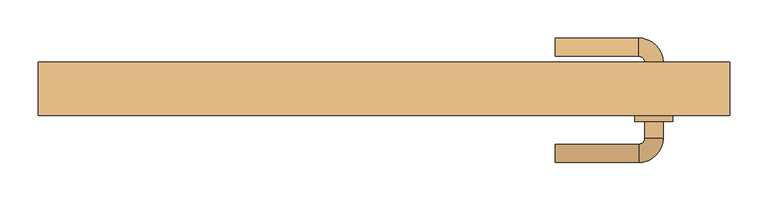
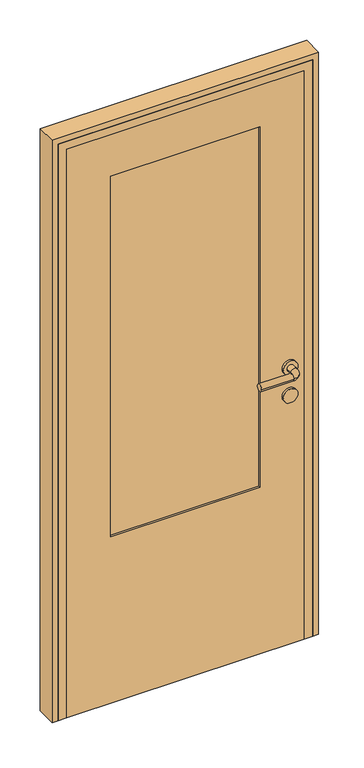
"""IFC4 building model written with IfcOpenShell, lengths in millimetres: door geometry."""

from ifc_helpers import new_model, si_unit, point, frame, frame_2d, origin, place, context, project, spatial, polyline, circle_curve, ellipse_curve, trimmed, segment, composite_curve, outline, extrude, faceted_brep, source, transform, mapped, element, save
from ifc_brep_helpers import plane_surface, cylinder_surface, revolved_surface, advanced_brep


def door_4ded02e0(model_context):
    return source(origin(), model_context, "Body", "SolidModel", [
        advanced_brep(
        [(225.0, -202.0, 1000.0), (225.0, -178.0, 1000.0), (335.0, -202.0, 1000.0), (335.0, -178.0, 1000.0), (367.0, -170.0, 1000.0), (343.0, -170.0, 1000.0), (367.0, -148.0, 1000.0), (343.0, -148.0, 1000.0), (367.0, -70.0, 1000.0), (343.0, -70.0, 1000.0), (343.0, -92.0, 1000.0), (367.0, -92.0, 1000.0), (335.0, -38.0, 1000.0), (335.0, -62.0, 1000.0), (225.0, -38.0, 1000.0), (225.0, -62.0, 1000.0), (330.0, -92.0, 1000.0), (380.0, -92.0, 1000.0), (330.0, -148.0, 1000.0), (380.0, -148.0, 1000.0)],
        [
            (0, 1, circle_curve(frame((225.0, -190.0, 1000.0), z_axis=(-1.0, 0.0, 0.0), x_axis=(0.0, 1.0, 0.0)), 12.0)),
            (1, 0, circle_curve(frame((225.0, -190.0, 1000.0), z_axis=(-1.0, 0.0, 0.0), x_axis=(0.0, 1.0, 0.0)), 12.0)),
            (0, 2),
            (2, 3, circle_curve(frame((335.0, -190.0, 1000.0), z_axis=(-1.0, 0.0, 0.0), x_axis=(0.0, 1.0, 0.0)), 12.0)),
            (3, 1),
            (3, 2, circle_curve(frame((335.0, -190.0, 1000.0), z_axis=(-1.0, 0.0, 0.0), x_axis=(0.0, 1.0, 0.0)), 12.0)),
            (2, 4, circle_curve(frame((335.0, -170.0, 1000.0), z_axis=(0.0, 0.0, 1.0), x_axis=(0.0, -1.0, 0.0)), 32.0)),
            (4, 5, circle_curve(frame((355.0, -170.0, 1000.0), z_axis=(0.0, -1.0, 0.0), x_axis=(-1.0, 0.0, 0.0)), 12.0)),
            (5, 3, circle_curve(frame((335.0, -170.0, 1000.0), z_axis=(0.0, 0.0, -1.0), x_axis=(0.0, -1.0, 0.0)), 8.0)),
            (5, 4, circle_curve(frame((355.0, -170.0, 1000.0), z_axis=(0.0, -1.0, 0.0), x_axis=(-1.0, 0.0, 0.0)), 12.0)),
            (4, 6),
            (6, 7, circle_curve(frame((355.0, -148.0, 1000.0), z_axis=(0.0, -1.0, 0.0), x_axis=(-1.0, 0.0, 0.0)), 12.0)),
            (7, 5),
            (8, 9, circle_curve(frame((355.0, -70.0, 1000.0), z_axis=(0.0, -1.0, 0.0), x_axis=(-1.0, 0.0, 0.0)), 12.0)),
            (9, 10),
            (10, 11, circle_curve(frame((355.0, -92.0, 1000.0), z_axis=(0.0, 1.0, 0.0), x_axis=(-1.0, 0.0, 0.0)), 12.0)),
            (11, 8),
            (7, 6, circle_curve(frame((355.0, -148.0, 1000.0), z_axis=(0.0, -1.0, 0.0), x_axis=(-1.0, 0.0, 0.0)), 12.0)),
            (9, 8, circle_curve(frame((355.0, -70.0, 1000.0), z_axis=(0.0, -1.0, 0.0), x_axis=(-1.0, 0.0, 0.0)), 12.0)),
            (11, 10, circle_curve(frame((355.0, -92.0, 1000.0), z_axis=(0.0, 1.0, 0.0), x_axis=(-1.0, 0.0, 0.0)), 12.0)),
            (8, 12, circle_curve(frame((335.0, -70.0, 1000.0), z_axis=(0.0, 0.0, 1.0), x_axis=(1.0, 0.0, 0.0)), 32.0)),
            (12, 13, circle_curve(frame((335.0, -50.0, 1000.0), z_axis=(1.0, 0.0, 0.0), x_axis=(0.0, -1.0, 0.0)), 12.0)),
            (13, 9, circle_curve(frame((335.0, -70.0, 1000.0), z_axis=(0.0, 0.0, -1.0), x_axis=(1.0, 0.0, 0.0)), 8.0)),
            (13, 12, circle_curve(frame((335.0, -50.0, 1000.0), z_axis=(1.0, 0.0, 0.0), x_axis=(0.0, -1.0, 0.0)), 12.0)),
            (14, 15, circle_curve(frame((225.0, -50.0, 1000.0), z_axis=(-1.0, 0.0, 0.0), x_axis=(0.0, -1.0, 0.0)), 12.0)),
            (15, 14, circle_curve(frame((225.0, -50.0, 1000.0), z_axis=(-1.0, 0.0, 0.0), x_axis=(0.0, -1.0, 0.0)), 12.0)),
            (12, 14),
            (15, 13),
            (16, 17, circle_curve(frame((355.0, -92.0, 1000.0), z_axis=(0.0, 1.0, 0.0), x_axis=(1.0, 0.0, 0.0)), 25.0)),
            (17, 16, circle_curve(frame((355.0, -92.0, 1000.0), z_axis=(0.0, 1.0, 0.0), x_axis=(1.0, 0.0, 0.0)), 25.0)),
            (18, 19, circle_curve(frame((355.0, -148.0, 1000.0), z_axis=(0.0, -1.0, 0.0), x_axis=(1.0, 0.0, 0.0)), 25.0)),
            (19, 18, circle_curve(frame((355.0, -148.0, 1000.0), z_axis=(0.0, -1.0, 0.0), x_axis=(1.0, 0.0, 0.0)), 25.0)),
            (16, 18),
            (19, 17),
        ],
        [
            plane_surface(frame((225.0, -190.0, 1000.0), z_axis=(-1.0, 0.0, 0.0), x_axis=(0.0, 0.0, 1.0))),
            cylinder_surface(frame((225.0, -190.0, 1000.0), z_axis=(-1.0, 0.0, 0.0), x_axis=(0.0, 1.0, 0.0)), 12.0),
            revolved_surface(trimmed(ellipse_curve(frame((335.0, -190.0, 1000.0), z_axis=(-1.0, 0.0, 0.0), x_axis=(0.0, 1.0, 0.0)), 12.0, 12.0), [point((335.0, -202.0, 1000.0))], [point((335.0, -178.0, 1000.0))], True, "CARTESIAN"), (335.0, -170.0, 1000.0), (0.0, 0.0, 1.0)),
            revolved_surface(trimmed(ellipse_curve(frame((335.0, -190.0, 1000.0), z_axis=(-1.0, 0.0, 0.0), x_axis=(0.0, 1.0, 0.0)), 12.0, 12.0), [point((335.0, -178.0, 1000.0))], [point((335.0, -202.0, 1000.0))], True, "CARTESIAN"), (335.0, -170.0, 1000.0), (0.0, 0.0, 1.0)),
            cylinder_surface(frame((355.0, -170.0, 1000.0), z_axis=(0.0, -1.0, 0.0), x_axis=(-1.0, 0.0, 0.0)), 12.0),
            revolved_surface(trimmed(ellipse_curve(frame((355.0, -70.0, 1000.0), z_axis=(0.0, -1.0, 0.0), x_axis=(-1.0, 0.0, 0.0)), 12.0, 12.0), [point((367.0, -70.0, 1000.0))], [point((343.0, -70.0, 1000.0))], True, "CARTESIAN"), (335.0, -70.0, 1000.0), (0.0, 0.0, 1.0)),
            revolved_surface(trimmed(ellipse_curve(frame((355.0, -70.0, 1000.0), z_axis=(0.0, -1.0, 0.0), x_axis=(-1.0, 0.0, 0.0)), 12.0, 12.0), [point((343.0, -70.0, 1000.0))], [point((367.0, -70.0, 1000.0))], True, "CARTESIAN"), (335.0, -70.0, 1000.0), (0.0, 0.0, 1.0)),
            plane_surface(frame((225.0, -50.0, 1000.0), z_axis=(-1.0, 0.0, 0.0), x_axis=(0.0, 0.0, 1.0))),
            cylinder_surface(frame((335.0, -50.0, 1000.0), z_axis=(1.0, 0.0, 0.0), x_axis=(0.0, -1.0, 0.0)), 12.0),
            plane_surface(frame((380.0, -92.0, 1000.0), z_axis=(0.0, 1.0, 0.0), x_axis=(0.0, 0.0, -1.0))),
            plane_surface(frame((380.0, -148.0, 1000.0), z_axis=(0.0, -1.0, 0.0), x_axis=(0.0, 0.0, 1.0))),
            cylinder_surface(frame((355.0, -92.0, 1000.0), z_axis=(0.0, -1.0, 0.0), x_axis=(1.0, 0.0, 0.0)), 25.0),
        ],
        [
            (0, [[1, 2]]),
            (1, [[-1, 3, 4, 5]]),
            (1, [[-2, -5, 6, -3]]),
            (2, [[-4, 7, 8, 9]]),
            (3, [[-6, -9, 10, -7]]),
            (4, [[-8, 11, 12, 13]]),
            (4, [[14, 15, 16, 17]]),
            (4, [[-10, -13, 18, -11]]),
            (4, [[19, -17, 20, -15]]),
            (5, [[-14, 21, 22, 23]]),
            (6, [[-19, -23, 24, -21]]),
            (7, [[25, 26]]),
            (8, [[-22, 27, -26, 28]]),
            (8, [[-24, -28, -25, -27]]),
            (9, [[29, 30], [-16, -20]]),
            (10, [[31, 32], [-12, -18]]),
            (11, [[-29, 33, -32, 34]]),
            (11, [[-30, -34, -31, -33]]),
        ],
    ),
        extrude(outline(composite_curve([segment(trimmed(circle_curve(frame_2d((900.0, 355.0)), 25.0), [point((900.0, 330.0))], [point((900.0, 380.0))], False, "CARTESIAN"), True, "CONTINUOUS"), segment(trimmed(circle_curve(frame_2d((900.0, 355.0)), 25.0), [point((900.0, 380.0))], [point((900.0, 330.0))], False, "CARTESIAN"), True, "CONTINUOUS")], self_intersect=False)), frame((0.0, -148.0, 0.0), z_axis=(0.0, 1.0, 0.0), x_axis=(0.0, 0.0, 1.0)), (0.0, 0.0, 1.0), 56.0),
        extrude(outline(polyline([(-255.0, -132.0), (-255.0, -108.0), (255.0, -108.0), (255.0, -132.0), (-255.0, -132.0)])), frame((0.0, 0.0, 600.0), z_axis=(0.0, 0.0, 1.0), x_axis=(1.0, 0.0, 0.0)), (0.0, 0.0, 1.0), 1300.0),
        extrude(outline(polyline([(0.0, -405.0), (0.0, 405.0), (2050.0, 405.0), (2050.0, -405.0), (0.0, -405.0)]), holes=[polyline([(600.0, 255.0), (600.0, -255.0), (1900.0, -255.0), (1900.0, 255.0), (600.0, 255.0)])]), frame((0.0, -140.0, 0.0), z_axis=(0.0, 1.0, 0.0), x_axis=(0.0, 0.0, 1.0)), (0.0, 0.0, 1.0), 40.0),
        extrude(outline(polyline([(0.0, 455.0), (2100.0, 455.0), (2100.0, -455.0), (0.0, -455.0), (0.0, -435.0), (2080.0, -435.0), (2080.0, 435.0), (0.0, 435.0), (0.0, 455.0)])), frame((0.0, -140.0, 0.0), z_axis=(0.0, 1.0, 0.0), x_axis=(0.0, 0.0, 1.0)), (0.0, 0.0, 1.0), 70.0),
        faceted_brep([(-435.0, -70.0, 0.0), (-395.0, -70.0, 0.0), (-395.0, -100.0, 0.0), (-405.0, -100.0, 0.0), (-405.0, -140.0, 0.0), (-435.0, -140.0, 0.0), (-435.0, -140.0, 2080.0), (-435.0, -70.0, 2080.0), (-405.0, -140.0, 2050.0), (405.0, -140.0, 2050.0), (405.0, -140.0, 0.0), (435.0, -140.0, 0.0), (435.0, -140.0, 2080.0), (-405.0, -100.0, 2050.0), (-395.0, -100.0, 2040.0), (395.0, -100.0, 2040.0), (395.0, -100.0, 0.0), (405.0, -100.0, 0.0), (405.0, -100.0, 2050.0), (-395.0, -70.0, 2040.0), (435.0, -70.0, 2080.0), (435.0, -70.0, 0.0), (395.0, -70.0, 0.0), (395.0, -70.0, 2040.0)], [[[0, 1, 2, 3, 4, 5]], [[5, 6, 7, 0]], [[4, 8, 9, 10, 11, 12, 6, 5]], [[3, 13, 8, 4]], [[2, 14, 15, 16, 17, 18, 13, 3]], [[1, 19, 14, 2]], [[0, 7, 20, 21, 22, 23, 19, 1]], [[6, 12, 20, 7]], [[13, 18, 9, 8]], [[19, 23, 15, 14]], [[21, 11, 10, 17, 16, 22]], [[12, 11, 21, 20]], [[18, 17, 10, 9]], [[23, 22, 16, 15]]]),
    ])


if __name__ == "__main__":
    model = new_model("IFC4")
    model_context = context("Model", 3, world=origin())
    ifc_project = project(units=[si_unit("LENGTHUNIT", "METRE", prefix="MILLI")], contexts=[model_context])
    site = spatial("IfcSite", under=ifc_project)
    building = spatial("IfcBuilding", under=site)
    placement = place(None, origin())
    door_shape = door_4ded02e0(model_context)
    element("IfcDoor", 1, at=placement, inside=building, context=model_context, shape_type="MappedRepresentation", body=[
        mapped(door_shape, transform((0.0, 0.0, 0.0), x_axis=(1.0, 0.0, 0.0), y_axis=(0.0, 1.0, 0.0), z_axis=(0.0, 0.0, 1.0))),
    ])
    save(model, "model.ifc")
